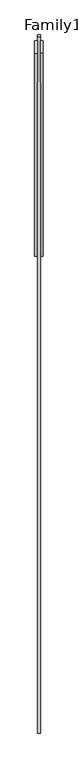
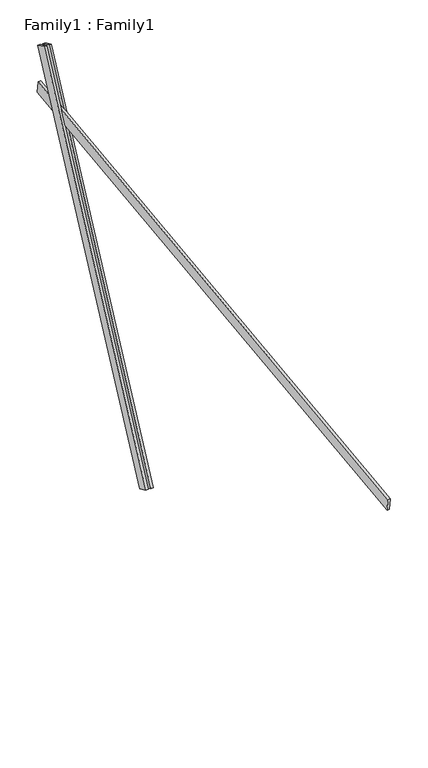
"""IFC4 building model written with IfcOpenShell, lengths in millimetres: proxy geometry, Family1 : Family1."""

from ifc_helpers import new_model, si_unit, frame, origin, place, context, project, spatial, polyline, outline, extrude, source, transform, mapped, element, save


def family1_family1_834627aa(model_context):
    return source(origin(), model_context, "Body", "SweptSolid", [
        extrude(outline(polyline([(0.0, 0.0), (0.0, -20.0), (-100.0000001, -20.0), (-100.0000001, 0.0), (0.0, 0.0)])), frame((-30.0, 46.3241747, -22.5938096), z_axis=(0.0, 0.4383711467890692, 0.8987940462991711), x_axis=(0.0, 0.8987940462991711, -0.4383711467890692)), (0.0, 0.0, 1.0), 3300.0),
        extrude(outline(polyline([(0.0, 0.0), (0.0, -20.0), (-99.9999999, -20.0), (-99.9999999, 0.0), (0.0, 0.0)])), frame((10.0, 45.270232, -22.0797674), z_axis=(0.0, 0.4383711467890692, 0.8987940462991711), x_axis=(0.0, 0.8987940462991711, -0.4383711467890692)), (0.0, 0.0, 1.0), 3300.0),
        extrude(outline(polyline([(0.0, -20.0), (0.0, 0.0), (5000.0, 0.0), (5000.0, -20.0), (0.0, -20.0)])), frame((-10.0, -3429.7096402, 1894.4218616), z_axis=(0.0, -0.12186934340514494, 0.9925461516413223), x_axis=(0.0, 0.9925461516413223, 0.12186934340514494)), (0.0, 0.0, 1.0), 100.0),
    ])


if __name__ == "__main__":
    model = new_model("IFC4")
    model_context = context("Model", 3, world=origin())
    ifc_project = project(units=[si_unit("LENGTHUNIT", "METRE", prefix="MILLI")], contexts=[model_context])
    site = spatial("IfcSite", under=ifc_project)
    building = spatial("IfcBuilding", under=site)
    placement = place(None, origin())
    family1_family1_shape = family1_family1_834627aa(model_context)
    element("IfcBuildingElementProxy", 1, Name="Family1 : Family1", ObjectType="Family1 : Family1", at=placement, inside=building, context=model_context, shape_type="MappedRepresentation", body=[
        mapped(family1_family1_shape, transform((0.0, 0.0, 0.0), x_axis=(1.0, 0.0, 0.0), y_axis=(0.0, 1.0, 0.0), z_axis=(0.0, 0.0, 1.0))),
    ])
    save(model, "model.ifc")
